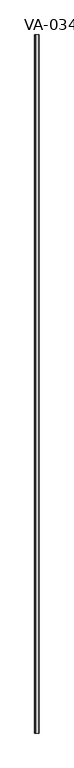
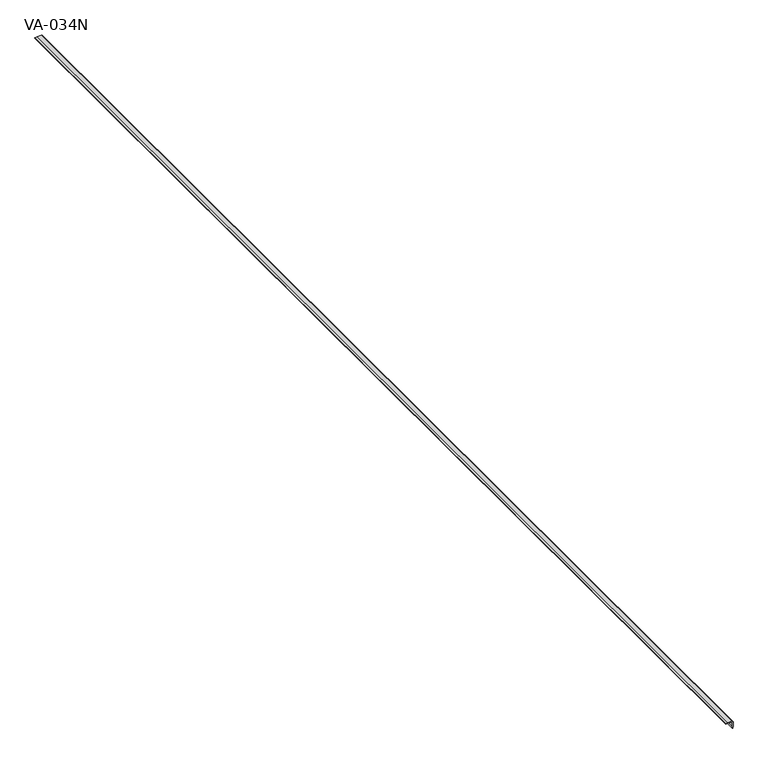
"""IFC4 building model written with IfcOpenShell, lengths in millimetres: proxy geometry, VA-034N."""

from ifc_helpers import new_model, si_unit, point, frame, frame_2d, origin, place, context, project, spatial, polyline, circle_curve, trimmed, segment, composite_curve, outline, extrude, source, transform, mapped, element, save


def va_034n_c4ce36e9(model_context):
    return source(origin(), model_context, "Body", "SweptSolid", [
        extrude(outline(composite_curve([segment(trimmed(circle_curve(frame_2d((1.6131953, -15.4146415)), 0.7834454), [point((2.395509, -15.4567365))], [point((1.6434976, -16.1975006))], False, "CARTESIAN"), True, "CONTINUOUS"), segment(polyline([(1.6434976, -16.1975006), (0.798503, -16.1411677), (1.1977545, -10.7227545), (1.3688623, -0.3422156)]), True, "CONTINUOUS"), segment(trimmed(circle_curve(frame_2d((-0.3128681, -0.3128681)), 1.6819864), [point((1.3688623, -0.3422156))], [point((-0.3422156, 1.3688623))], True, "CARTESIAN"), True, "CONTINUOUS"), segment(polyline([(-0.3422156, 1.3688623), (-10.7227545, 1.1977545), (-16.1411677, 0.798503), (-16.1975006, 1.6434976)]), True, "CONTINUOUS"), segment(trimmed(circle_curve(frame_2d((-15.4146415, 1.6131953)), 0.7834454), [point((-16.1975006, 1.6434976))], [point((-15.4567365, 2.395509))], False, "CARTESIAN"), True, "CONTINUOUS"), segment(polyline([(-15.4567365, 2.395509), (-10.7797904, 2.7377246), (-0.3422156, 2.9088323)]), True, "CONTINUOUS"), segment(trimmed(circle_curve(frame_2d((-0.286455, -0.286455)), 3.1957739), [point((-0.3422156, 2.9088323))], [point((2.9088323, -0.3422156))], False, "CARTESIAN"), True, "CONTINUOUS"), segment(polyline([(2.9088323, -0.3422156), (2.7377246, -10.7797904), (2.395509, -15.4567365)]), True, "CONTINUOUS")], self_intersect=False)), frame((0.0, -1141.4125, 0.0), z_axis=(0.0, 1.0, 0.0), x_axis=(0.0, 0.0, 1.0)), (0.0, 0.0, 1.0), 3021.0125),
    ])


if __name__ == "__main__":
    model = new_model("IFC4")
    model_context = context("Model", 3, world=origin())
    ifc_project = project(units=[si_unit("LENGTHUNIT", "METRE", prefix="MILLI")], contexts=[model_context])
    site = spatial("IfcSite", under=ifc_project)
    building = spatial("IfcBuilding", under=site)
    placement = place(None, origin())
    va_034n_shape = va_034n_c4ce36e9(model_context)
    element("IfcBuildingElementProxy", 1, Name="VA-034N", ObjectType="VA-034N", at=placement, inside=building, context=model_context, shape_type="MappedRepresentation", body=[
        mapped(va_034n_shape, transform((0.0, 0.0, 0.0), x_axis=(1.0, 0.0, 0.0), y_axis=(0.0, 1.0, 0.0), z_axis=(0.0, 0.0, 1.0))),
    ])
    save(model, "model.ifc")
